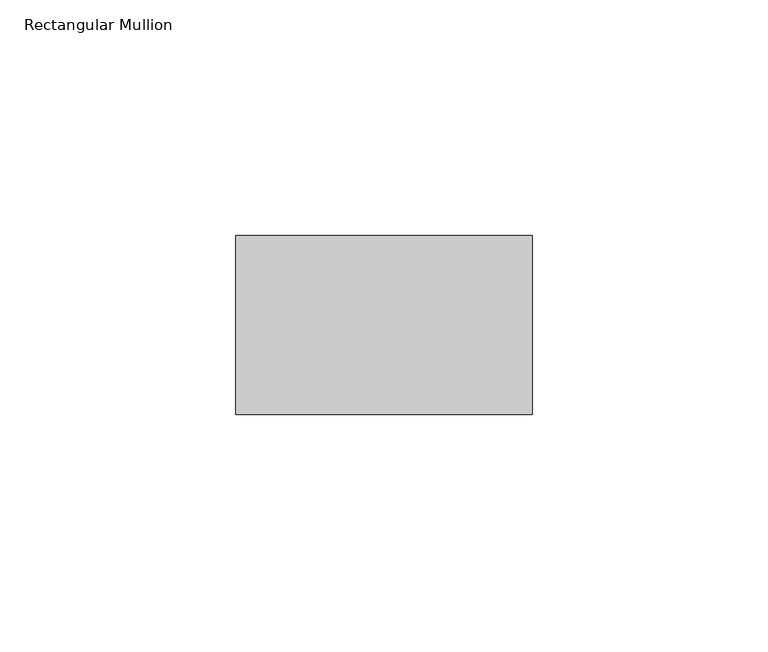
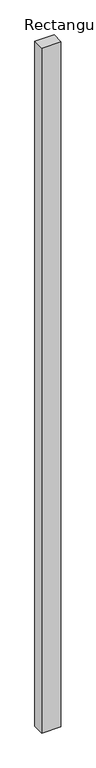
"""IFC4 building model written with IfcOpenShell, lengths in millimetres: member geometry, Rectangular Mullion."""

from ifc_helpers import new_model, si_unit, frame, origin, place, context, project, spatial, polyline, outline, extrude, source, transform, mapped, element, save


def rectangular_mullion_824f760c(model_context):
    return source(origin(), model_context, "Body", "SweptSolid", [
        extrude(outline(polyline([(31.5, 48.0), (31.5, 10.0), (-31.5, 10.0), (-31.5, 48.0), (31.5, 48.0)])), frame((0.0, 0.0, -2360.0), z_axis=(0.0, 0.0, 1.0), x_axis=(1.0, 0.0, 0.0)), (0.0, 0.0, 1.0), 2360.0),
    ])


if __name__ == "__main__":
    model = new_model("IFC4")
    model_context = context("Model", 3, world=origin())
    ifc_project = project(units=[si_unit("LENGTHUNIT", "METRE", prefix="MILLI")], contexts=[model_context])
    site = spatial("IfcSite", under=ifc_project)
    building = spatial("IfcBuilding", under=site)
    placement = place(None, origin())
    rectangular_mullion_shape = rectangular_mullion_824f760c(model_context)
    element("IfcMember", 1, ObjectType="Rectangular Mullion", at=placement, inside=building, context=model_context, shape_type="MappedRepresentation", body=[
        mapped(rectangular_mullion_shape, transform((0.0, 0.0, 0.0), x_axis=(1.0, 0.0, 0.0), y_axis=(0.0, 1.0, 0.0), z_axis=(0.0, 0.0, 1.0))),
    ])
    save(model, "model.ifc")
